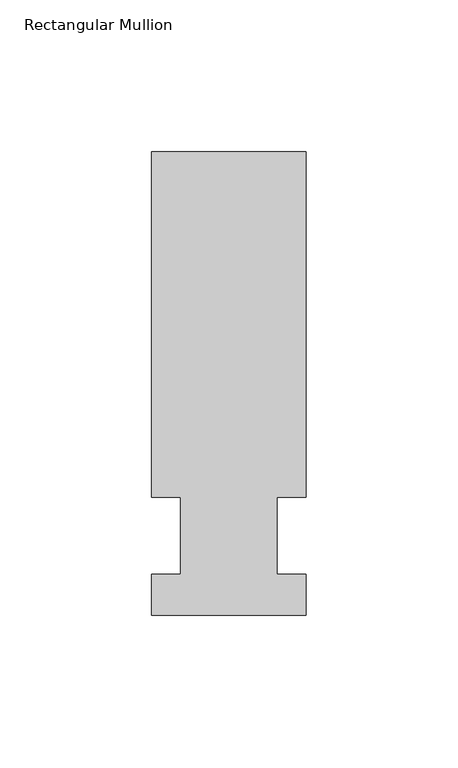
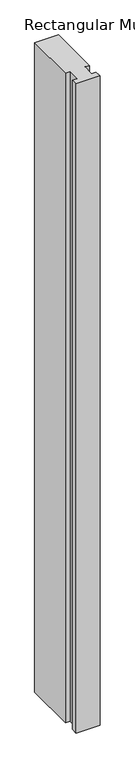
"""IFC4 building model written with IfcOpenShell, lengths in millimetres: member geometry, Rectangular Mullion."""

from ifc_helpers import new_model, si_unit, frame, origin, place, context, project, spatial, polyline, outline, extrude, source, transform, mapped, element, save


def rectangular_mullion_8a4ece6b(model_context):
    return source(origin(), model_context, "Body", "SweptSolid", [
        extrude(outline(polyline([(-25.4, -26.19375), (-25.4, -12.7), (-15.875, -12.7), (-15.875, 12.7), (-25.4, 12.7), (-25.4, 126.20625), (25.4, 126.20625), (25.4, 12.7), (15.875, 12.7), (15.875, -12.7), (25.4, -12.7), (25.4, -26.19375), (-25.4, -26.19375)])), frame((0.0, 0.0, -1460.5), z_axis=(0.0, 0.0, 1.0), x_axis=(1.0, 0.0, 0.0)), (0.0, 0.0, 1.0), 1460.5),
    ])


if __name__ == "__main__":
    model = new_model("IFC4")
    model_context = context("Model", 3, world=origin())
    ifc_project = project(units=[si_unit("LENGTHUNIT", "METRE", prefix="MILLI")], contexts=[model_context])
    site = spatial("IfcSite", under=ifc_project)
    building = spatial("IfcBuilding", under=site)
    placement = place(None, origin())
    rectangular_mullion_shape = rectangular_mullion_8a4ece6b(model_context)
    element("IfcMember", 1, ObjectType="Rectangular Mullion", at=placement, inside=building, context=model_context, shape_type="MappedRepresentation", body=[
        mapped(rectangular_mullion_shape, transform((0.0, 0.0, 0.0), x_axis=(1.0, 0.0, 0.0), y_axis=(0.0, 1.0, 0.0), z_axis=(0.0, 0.0, 1.0))),
    ])
    save(model, "model.ifc")
